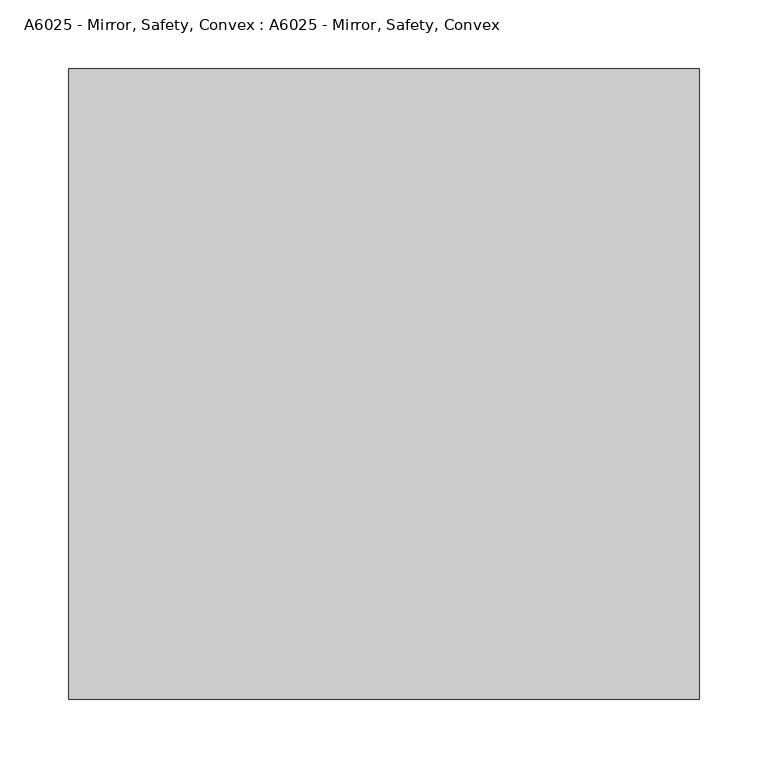
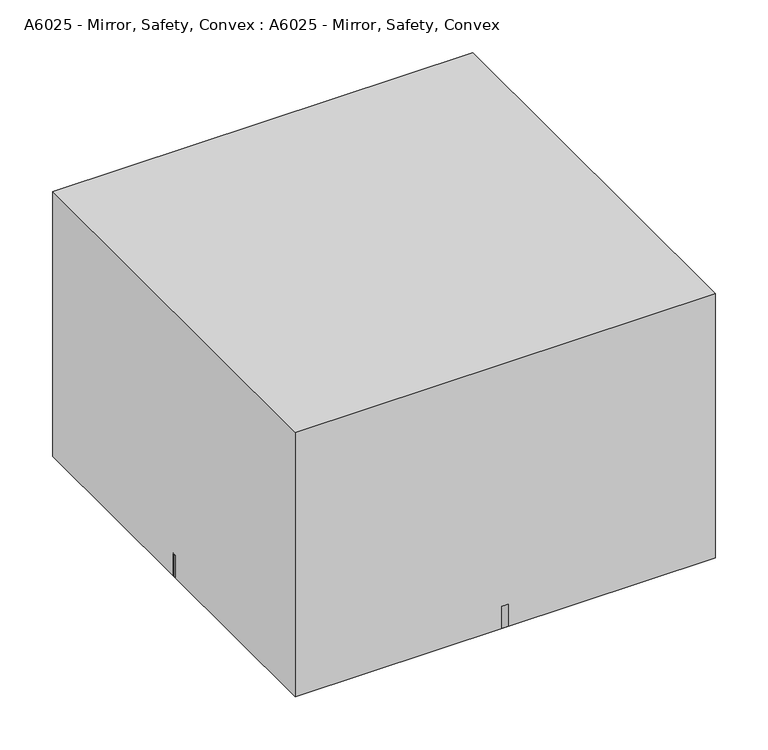
"""IFC4 building model written with IfcOpenShell, lengths in millimetres: proxy geometry, A6025 - Mirror, Safety, Convex : A6025 - Mirror, Safety, Convex."""

from ifc_helpers import new_model, si_unit, point, frame, frame_2d, origin, origin_with_axes, place, context, project, spatial, polyline, circle_curve, ellipse_curve, trimmed, segment, composite_curve, outline, extrude, source, transform, mapped, element, save
from ifc_brep_helpers import plane_surface, revolved_surface, advanced_brep


def a6025_mirror_safety_convex_a6025_mirror_safety_convex_c8f85d77(model_context):
    return source(origin(), model_context, "Body", "SolidModel", [
        advanced_brep(
        [(0.0, 228.6, 25.4), (0.0, 12.7, 25.4), (0.0, 444.5, 25.4), (0.0, 228.6, 127.0)],
        [
            (0, 1),
            (1, 2, circle_curve(frame((0.0, 228.6, 25.4), z_axis=(0.0, 0.0, -1.0), x_axis=(0.0, -1.0, 0.0)), 215.9)),
            (2, 0),
            (2, 1, circle_curve(frame((0.0, 228.6, 25.4), z_axis=(0.0, 0.0, -1.0), x_axis=(0.0, -1.0, 0.0)), 215.9)),
            (1, 3, circle_curve(frame((0.0, 216.7669572, -128.0485341), z_axis=(-1.0, 0.0, 0.0), x_axis=(0.0, 1.0, 0.0)), 255.3228851)),
            (3, 2, circle_curve(frame((0.0, 240.4330428, -128.0485341), z_axis=(-1.0, 0.0, 0.0), x_axis=(0.0, -1.0, 0.0)), 255.3228851)),
        ],
        [
            plane_surface(frame((0.0, 228.6, 25.4), z_axis=(0.0, 0.0, -1.0), x_axis=(0.0, -1.0, 0.0))),
            revolved_surface(trimmed(ellipse_curve(frame((0.0, 216.7669572, -128.0485341), z_axis=(1.0, 0.0, 0.0), x_axis=(0.0, 1.0, 0.0)), 255.3228851, 255.3228851), [point((0.0, 228.6, 127.0))], [point((0.0, 12.7, 25.4))], True, "CARTESIAN"), (0.0, 228.6, 190.5), (0.0, 0.0, -1.0)),
        ],
        [
            (0, [[1, 2, 3]]),
            (0, [[-3, 4, -1]]),
            (1, [[-2, 5, 6]]),
            (1, [[-4, -6, -5]]),
        ],
    ),
        extrude(outline(composite_curve([segment(trimmed(circle_curve(frame_2d((0.0, 228.6)), 228.6), [point((-228.6, 228.6))], [point((228.6, 228.6))], False, "CARTESIAN"), True, "CONTINUOUS"), segment(trimmed(circle_curve(frame_2d((0.0, 228.6)), 228.6), [point((228.6, 228.6))], [point((-228.6, 228.6))], False, "CARTESIAN"), True, "CONTINUOUS")], self_intersect=False)), origin_with_axes(), (0.0, 0.0, 1.0), 25.4),
        extrude(outline(polyline([(228.6, 457.2), (228.6, 0.0), (-228.6, 0.0), (-228.6, 457.2), (228.6, 457.2)])), origin_with_axes(), (0.0, 0.0, 1.0), 304.8),
    ])


if __name__ == "__main__":
    model = new_model("IFC4")
    model_context = context("Model", 3, world=origin())
    ifc_project = project(units=[si_unit("LENGTHUNIT", "METRE", prefix="MILLI")], contexts=[model_context])
    site = spatial("IfcSite", under=ifc_project)
    building = spatial("IfcBuilding", under=site)
    placement = place(None, origin())
    a6025_mirror_safety_convex_a6025_mirror_safety_convex_shape = a6025_mirror_safety_convex_a6025_mirror_safety_convex_c8f85d77(model_context)
    element("IfcBuildingElementProxy", 1, Name="A6025 - Mirror, Safety, Convex : A6025 - Mirror, Safety, Convex", ObjectType="A6025 - Mirror, Safety, Convex : A6025 - Mirror, Safety, Convex", at=placement, inside=building, context=model_context, shape_type="MappedRepresentation", body=[
        mapped(a6025_mirror_safety_convex_a6025_mirror_safety_convex_shape, transform((0.0, 0.0, 0.0), x_axis=(1.0, 0.0, 0.0), y_axis=(0.0, 1.0, 0.0), z_axis=(0.0, 0.0, 1.0))),
    ])
    save(model, "model.ifc")
